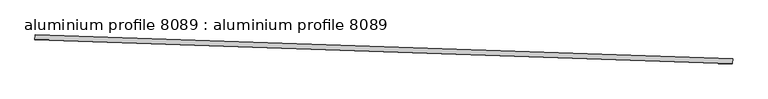
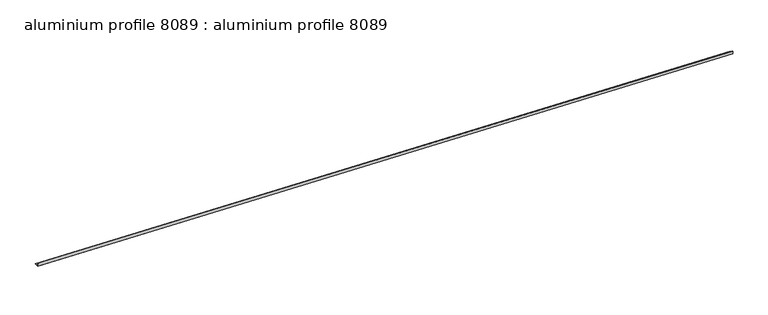
"""IFC4 building model written with IfcOpenShell, lengths in millimetres: proxy geometry, aluminium profile 8089 : aluminium profile 8089."""

from ifc_helpers import new_model, si_unit, frame, origin, place, context, project, spatial, polyline, outline, extrude, source, transform, mapped, element, save


def aluminium_profile_8089_aluminium_profile_8089_97da50c5(model_context):
    return source(origin(), model_context, "Body", "SweptSolid", [
        extrude(outline(polyline([(0.0, 0.0), (0.0, -76.2), (-119.9650637, -76.2), (-119.9650637, -74.6125), (-1.5875001, -74.6125), (-1.5875001, 0.0), (0.0, 0.0)])), frame((34364.8402399, -15244.7898892, 5791.6914389), z_axis=(-0.9994149479163209, 0.03420178184565291, 0.0), x_axis=(-0.03420178184565291, -0.9994149479163209, 0.0)), (0.0, 0.0, 1.0), 17068.8),
    ])


if __name__ == "__main__":
    model = new_model("IFC4")
    model_context = context("Model", 3, world=origin())
    ifc_project = project(units=[si_unit("LENGTHUNIT", "METRE", prefix="MILLI")], contexts=[model_context])
    site = spatial("IfcSite", under=ifc_project)
    building = spatial("IfcBuilding", under=site)
    placement = place(None, origin())
    aluminium_profile_8089_aluminium_profile_8089_shape = aluminium_profile_8089_aluminium_profile_8089_97da50c5(model_context)
    element("IfcBuildingElementProxy", 1, Name="aluminium profile 8089 : aluminium profile 8089", ObjectType="aluminium profile 8089 : aluminium profile 8089", at=placement, inside=building, context=model_context, shape_type="MappedRepresentation", body=[
        mapped(aluminium_profile_8089_aluminium_profile_8089_shape, transform((0.0, 0.0, 0.0), x_axis=(1.0, 0.0, 0.0), y_axis=(0.0, 1.0, 0.0), z_axis=(0.0, 0.0, 1.0))),
    ])
    save(model, "model.ifc")
